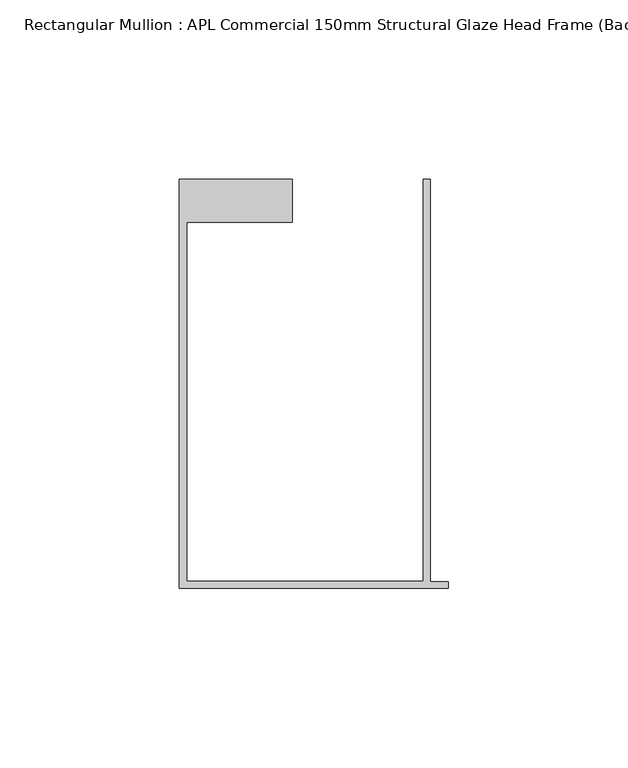
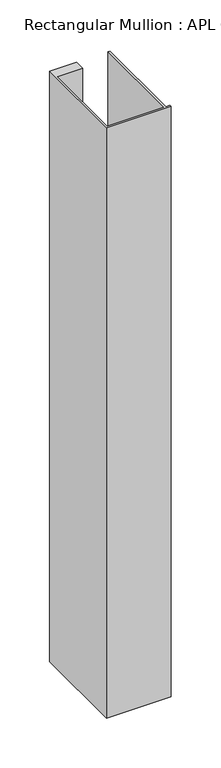
"""IFC4 building model written with IfcOpenShell, lengths in millimetres: member geometry, Rectangular Mullion : APL Commercial 150mm Structural Glaze Head Frame (Back)."""

from ifc_helpers import new_model, si_unit, frame, origin, place, context, project, spatial, polyline, outline, extrude, source, transform, mapped, element, save


def rectangular_mullion_apl_commercial_150mm_structural_glaze_afa995c7(model_context):
    return source(origin(), model_context, "Body", "SweptSolid", [
        extrude(outline(polyline([(-75.0, -128.9993063), (-75.0, -14.9998342), (-43.5000151, -14.9998342), (-43.5000151, -26.9997514), (-73.0, -26.9997514), (-73.0, -126.9993063), (-7.0, -126.9993063), (-7.0, -14.9998342), (-5.0, -14.9998342), (-5.0, -127.1993063), (0.0, -127.1993063), (0.0, -128.9993063), (-75.0, -128.9993063)])), frame((0.0, 0.0, -724.000019), z_axis=(0.0, 0.0, 1.0), x_axis=(1.0, 0.0, 0.0)), (0.0, 0.0, 1.0), 724.000019),
    ])


if __name__ == "__main__":
    model = new_model("IFC4")
    model_context = context("Model", 3, world=origin())
    ifc_project = project(units=[si_unit("LENGTHUNIT", "METRE", prefix="MILLI")], contexts=[model_context])
    site = spatial("IfcSite", under=ifc_project)
    building = spatial("IfcBuilding", under=site)
    placement = place(None, origin())
    rectangular_mullion_apl_commercial_150mm_structural_glaze_shape = rectangular_mullion_apl_commercial_150mm_structural_glaze_afa995c7(model_context)
    element("IfcMember", 1, ObjectType="Rectangular Mullion : APL Commercial 150mm Structural Glaze Head Frame (Back)", at=placement, inside=building, context=model_context, shape_type="MappedRepresentation", body=[
        mapped(rectangular_mullion_apl_commercial_150mm_structural_glaze_shape, transform((0.0, 0.0, 0.0), x_axis=(1.0, 0.0, 0.0), y_axis=(0.0, 1.0, 0.0), z_axis=(0.0, 0.0, 1.0))),
    ])
    save(model, "model.ifc")
